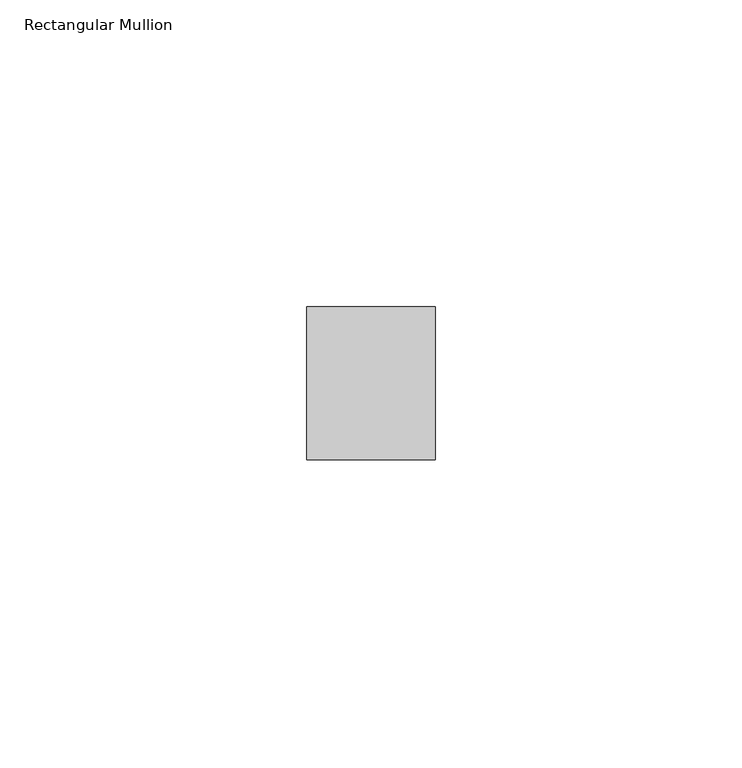
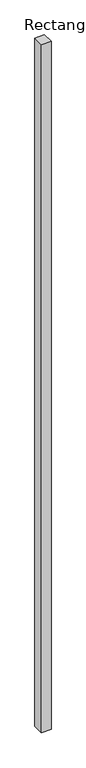
"""IFC4 building model written with IfcOpenShell, lengths in millimetres: member geometry, Rectangular Mullion."""

from ifc_helpers import new_model, si_unit, frame, origin, place, context, project, spatial, polyline, outline, extrude, source, transform, mapped, element, save


def rectangular_mullion_f2870616(model_context):
    return source(origin(), model_context, "Body", "SweptSolid", [
        extrude(outline(polyline([(0.0, 12.5), (0.0, -12.5), (-21.0, -12.5), (-21.0, 12.5), (0.0, 12.5)])), frame((0.0, 0.0, -1599.9999998), z_axis=(0.0, 0.0, 1.0), x_axis=(1.0, 0.0, 0.0)), (0.0, 0.0, 1.0), 1599.9999998),
    ])


if __name__ == "__main__":
    model = new_model("IFC4")
    model_context = context("Model", 3, world=origin())
    ifc_project = project(units=[si_unit("LENGTHUNIT", "METRE", prefix="MILLI")], contexts=[model_context])
    site = spatial("IfcSite", under=ifc_project)
    building = spatial("IfcBuilding", under=site)
    placement = place(None, origin())
    rectangular_mullion_shape = rectangular_mullion_f2870616(model_context)
    element("IfcMember", 1, ObjectType="Rectangular Mullion", at=placement, inside=building, context=model_context, shape_type="MappedRepresentation", body=[
        mapped(rectangular_mullion_shape, transform((0.0, 0.0, 0.0), x_axis=(1.0, 0.0, 0.0), y_axis=(0.0, 1.0, 0.0), z_axis=(0.0, 0.0, 1.0))),
    ])
    save(model, "model.ifc")
